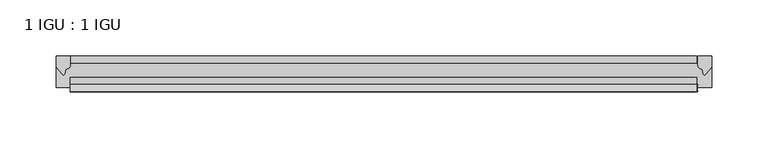
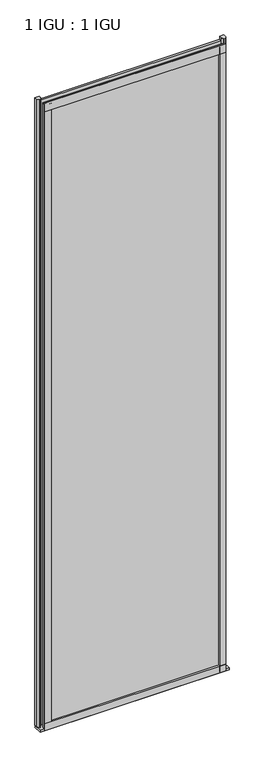
"""IFC4 building model written with IfcOpenShell, lengths in millimetres: plate geometry, 1 IGU : 1 IGU."""

from ifc_helpers import new_model, si_unit, point, frame, frame_2d, origin, place, context, project, spatial, polyline, circle_curve, trimmed, segment, composite_curve, outline, extrude, source, transform, mapped, element, save


def plate_1_igu_1_igu_2aecc980(model_context):
    return source(origin(), model_context, "Body", "SweptSolid", [
        extrude(outline(polyline([(247.1463873, 0.0021347), (247.1463873, -6.2992), (-311.2305873, -6.2992), (-311.2305873, 0.0021347), (247.1463873, 0.0021347)])), frame((0.0, 0.0, -19.05), z_axis=(0.0, 0.0, 1.0), x_axis=(1.0, 0.0, 0.0)), (0.0, 0.0, 1.0), 2041.5250001),
        extrude(outline(polyline([(-311.2305873, -19.0986653), (247.1463873, -19.0986653), (247.1463873, -25.3978653), (-311.2305873, -25.3978653), (-311.2305873, -19.0986653)])), frame((0.0, 0.0, -19.05), z_axis=(0.0, 0.0, 1.0), x_axis=(1.0, 0.0, 0.0)), (0.0, 0.0, 1.0), 2041.5250001),
        extrude(outline(composite_curve([segment(trimmed(circle_curve(frame_2d((10.9021792, -22.6833935)), 11.4916952), [point((0.0, -19.05))], [point((-0.2638007, -25.4))], True, "CARTESIAN"), True, "CONTINUOUS"), segment(polyline([(-0.2638007, -25.4), (-27.9952564, -25.4), (-27.9952564, -19.05), (0.0, -19.05)]), True, "CONTINUOUS")], self_intersect=False)), frame((-323.9305873, 0.0, 0.0), z_axis=(1.0, 0.0, 0.0), x_axis=(0.0, 1.0, 0.0)), (0.0, 0.0, 1.0), 584.3611747),
        extrude(outline(composite_curve([segment(polyline([(260.4305873, 0.0), (260.4305873, -9.7395025), (254.8643564, -16.3730781)]), True, "CONTINUOUS"), segment(trimmed(circle_curve(frame_2d((253.9106815, -15.7728374)), 1.1268473), [point((254.8643564, -16.3730781))], [point((252.8097285, -16.0130197))], False, "CARTESIAN"), True, "CONTINUOUS"), segment(polyline([(252.8097285, -16.0130197), (251.8295371, -11.7377885)]), True, "CONTINUOUS"), segment(trimmed(circle_curve(frame_2d((251.7020853, -7.7683362)), 3.9714979), [point((251.8295371, -11.7377885))], [point((247.7307659, -7.8060014))], False, "CARTESIAN"), True, "CONTINUOUS"), segment(polyline([(247.7307659, -7.8060014), (247.7307659, 0.0), (260.4305873, 0.0)]), True, "CONTINUOUS")], self_intersect=False)), frame((0.0, 0.0, -19.05), z_axis=(0.0, 0.0, 1.0), x_axis=(1.0, 0.0, 0.0)), (0.0, 0.0, 1.0), 2051.8374001),
        extrude(outline(composite_curve([segment(polyline([(-311.2305873, 8.8e-06), (-311.2305873, -7.7683362)]), True, "CONTINUOUS"), segment(trimmed(circle_curve(frame_2d((-315.2020853, -7.7683362)), 3.9714979), [point((-311.2305873, -7.7683362))], [point((-315.3295371, -11.7377885))], False, "CARTESIAN"), True, "CONTINUOUS"), segment(polyline([(-315.3295371, -11.7377885), (-316.3095716, -16.012436)]), True, "CONTINUOUS"), segment(trimmed(circle_curve(frame_2d((-317.4107806, -15.7723555)), 1.1270758), [point((-316.3095716, -16.012436))], [point((-318.36462, -16.372764))], False, "CARTESIAN"), True, "CONTINUOUS"), segment(polyline([(-318.36462, -16.372764), (-323.9305873, -9.7395025), (-323.9305873, 8.8e-06), (-311.2305873, 8.8e-06)]), True, "CONTINUOUS")], self_intersect=False)), frame((0.0, 0.0, -19.05), z_axis=(0.0, 0.0, 1.0), x_axis=(1.0, 0.0, 0.0)), (0.0, 0.0, 1.0), 2051.8374001),
        extrude(outline(composite_curve([segment(polyline([(-31.75, 0.0), (-25.4, 0.0), (-25.4, -22.225)]), True, "CONTINUOUS"), segment(trimmed(circle_curve(frame_2d((-28.575, -28.9113452)), 7.4018806), [point((-25.4, -22.225))], [point((-31.75, -22.225))], True, "CARTESIAN"), True, "CONTINUOUS"), segment(polyline([(-31.75, -22.225), (-31.75, 0.0)]), True, "CONTINUOUS")], self_intersect=False)), frame((-311.2305873, 0.0, 0.0), z_axis=(1.0, 0.0, 0.0), x_axis=(0.0, 1.0, 0.0)), (0.0, 0.0, 1.0), 558.3769747),
        extrude(outline(composite_curve([segment(polyline([(-25.4, 2025.6500001), (-25.4, 2000.2500001), (-31.75, 2000.2500001), (-31.75, 2028.4228974)]), True, "CONTINUOUS"), segment(trimmed(circle_curve(frame_2d((-24.1401272, 2037.1924116)), 11.6109665), [point((-31.75, 2028.4228974))], [point((-25.4, 2025.6500001))], True, "CARTESIAN"), True, "CONTINUOUS")], self_intersect=False)), frame((-311.2305873, 0.0, 0.0), z_axis=(1.0, 0.0, 0.0), x_axis=(0.0, 1.0, 0.0)), (0.0, 0.0, 1.0), 558.3769747),
        extrude(outline(composite_curve([segment(polyline([(228.6805873, -25.4), (247.7305873, -25.4)]), True, "CONTINUOUS"), segment(trimmed(circle_curve(frame_2d((257.196738, -28.575)), 9.9844196), [point((247.7305873, -25.4))], [point((247.7305873, -31.75))], True, "CARTESIAN"), True, "CONTINUOUS"), segment(polyline([(247.7305873, -31.75), (228.6805873, -31.75), (228.6805873, -25.4)]), True, "CONTINUOUS")], self_intersect=False)), frame((0.0, 0.0, -19.05), z_axis=(0.0, 0.0, 1.0), x_axis=(1.0, 0.0, 0.0)), (0.0, 0.0, 1.0), 2041.5250001),
        extrude(outline(composite_curve([segment(trimmed(circle_curve(frame_2d((-320.696738, -28.575)), 9.9844196), [point((-311.2305873, -31.75))], [point((-311.2305873, -25.4))], True, "CARTESIAN"), True, "CONTINUOUS"), segment(polyline([(-311.2305873, -25.4), (-292.1805873, -25.4), (-292.1805873, -31.75), (-311.2305873, -31.75)]), True, "CONTINUOUS")], self_intersect=False)), frame((0.0, 0.0, -19.05), z_axis=(0.0, 0.0, 1.0), x_axis=(1.0, 0.0, 0.0)), (0.0, 0.0, 1.0), 2041.5250001),
    ])


if __name__ == "__main__":
    model = new_model("IFC4")
    model_context = context("Model", 3, world=origin())
    ifc_project = project(units=[si_unit("LENGTHUNIT", "METRE", prefix="MILLI")], contexts=[model_context])
    site = spatial("IfcSite", under=ifc_project)
    building = spatial("IfcBuilding", under=site)
    placement = place(None, origin())
    plate_1_igu_1_igu_shape = plate_1_igu_1_igu_2aecc980(model_context)
    element("IfcPlate", 1, ObjectType="1 IGU : 1 IGU", at=placement, inside=building, context=model_context, shape_type="MappedRepresentation", body=[
        mapped(plate_1_igu_1_igu_shape, transform((0.0, 0.0, 0.0), x_axis=(1.0, 0.0, 0.0), y_axis=(0.0, 1.0, 0.0), z_axis=(0.0, 0.0, 1.0))),
    ])
    save(model, "model.ifc")
